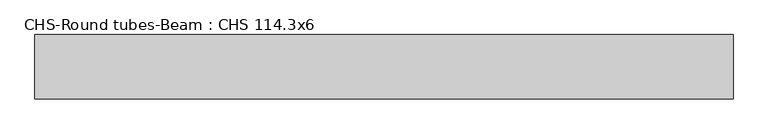
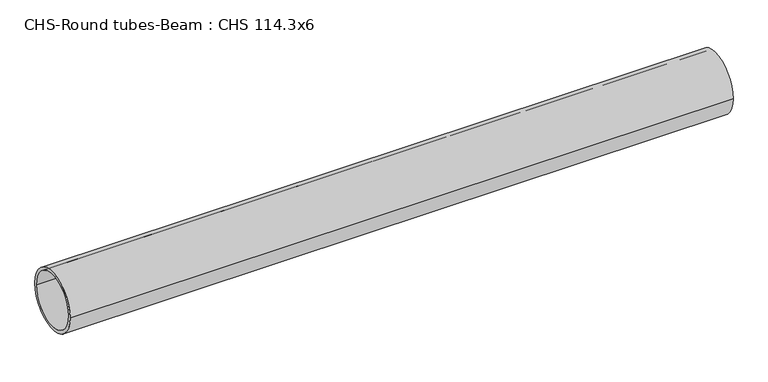
"""IFC4 building model written with IfcOpenShell, lengths in millimetres: beam geometry, CHS-Round tubes-Beam : CHS 114.3x6."""

from ifc_helpers import new_model, si_unit, point, frame, origin, origin_2d, place, context, project, spatial, circle_curve, trimmed, segment, composite_curve, outline, extrude, source, transform, mapped, element, save


def chs_round_tubes_beam_chs_114_3x6_1aed0fd4(model_context):
    return source(origin(), model_context, "Body", "SweptSolid", [
        extrude(outline(composite_curve([segment(trimmed(circle_curve(origin_2d(), 57.15), [point((57.15, 0.0))], [point((-57.15, 0.0))], False, "CARTESIAN"), True, "CONTINUOUS"), segment(trimmed(circle_curve(origin_2d(), 57.15), [point((-57.15, 0.0))], [point((57.15, 0.0))], False, "CARTESIAN"), True, "CONTINUOUS")], self_intersect=False), holes=[composite_curve([segment(trimmed(circle_curve(origin_2d(), 51.15), [point((51.15, 0.0))], [point((-51.15, 0.0))], True, "CARTESIAN"), True, "CONTINUOUS"), segment(trimmed(circle_curve(origin_2d(), 51.15), [point((-51.15, 0.0))], [point((51.15, 0.0))], True, "CARTESIAN"), True, "CONTINUOUS")], self_intersect=False)]), frame((-621.0193635, 0.0, 0.0), z_axis=(1.0, 0.0, 0.0), x_axis=(0.0, 1.0, 0.0)), (0.0, 0.0, 1.0), 1242.0400008),
    ])


if __name__ == "__main__":
    model = new_model("IFC4")
    model_context = context("Model", 3, world=origin())
    ifc_project = project(units=[si_unit("LENGTHUNIT", "METRE", prefix="MILLI")], contexts=[model_context])
    site = spatial("IfcSite", under=ifc_project)
    building = spatial("IfcBuilding", under=site)
    placement = place(None, origin())
    chs_round_tubes_beam_chs_114_3x6_shape = chs_round_tubes_beam_chs_114_3x6_1aed0fd4(model_context)
    element("IfcBeam", 1, ObjectType="CHS-Round tubes-Beam : CHS 114.3x6", at=placement, inside=building, context=model_context, shape_type="MappedRepresentation", body=[
        mapped(chs_round_tubes_beam_chs_114_3x6_shape, transform((0.0, 0.0, 0.0), x_axis=(1.0, 0.0, 0.0), y_axis=(0.0, 1.0, 0.0), z_axis=(0.0, 0.0, 1.0))),
    ])
    save(model, "model.ifc")
